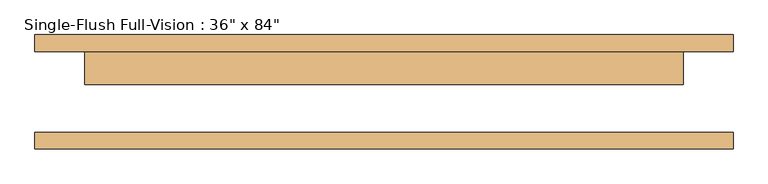
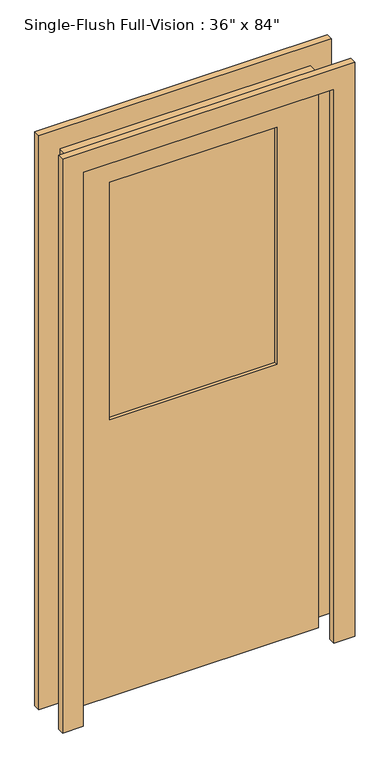
"""IFC4 building model written with IfcOpenShell, lengths in millimetres: door geometry."""

from ifc_helpers import new_model, si_unit, frame, origin, place, context, project, spatial, polyline, outline, extrude, source, transform, mapped, element, save


def door_bc1dde68(model_context):
    return source(origin(), model_context, "Body", "SweptSolid", [
        extrude(outline(polyline([(2209.8, -533.4), (0.0, -533.4), (0.0, -457.2), (2133.6, -457.2), (2133.6, 457.2), (0.0, 457.2), (0.0, 533.4), (2209.8, 533.4), (2209.8, -533.4)])), frame((0.0, 61.9125, 0.0), z_axis=(0.0, 1.0, 0.0), x_axis=(0.0, 0.0, 1.0)), (0.0, 0.0, 1.0), 25.4),
        extrude(outline(polyline([(2133.6, 457.2), (0.0, 457.2), (0.0, 533.4), (2209.8, 533.4), (2209.8, -533.4), (0.0, -533.4), (0.0, -457.2), (2133.6, -457.2), (2133.6, 457.2)])), frame((0.0, -87.3125, 0.0), z_axis=(0.0, 1.0, 0.0), x_axis=(0.0, 0.0, 1.0)), (0.0, 0.0, 1.0), 25.4),
        extrude(outline(polyline([(304.8, 23.8125), (-304.8, 23.8125), (-304.8, 30.1625), (304.8, 30.1625), (304.8, 23.8125)])), frame((0.0, 0.0, 1066.8), z_axis=(0.0, 0.0, 1.0), x_axis=(1.0, 0.0, 0.0)), (0.0, 0.0, 1.0), 914.4),
        extrude(outline(polyline([(304.8, 42.8625), (-304.8, 42.8625), (-304.8, 49.2125), (304.8, 49.2125), (304.8, 42.8625)])), frame((0.0, 0.0, 1066.8), z_axis=(0.0, 0.0, 1.0), x_axis=(1.0, 0.0, 0.0)), (0.0, 0.0, 1.0), 914.4),
        extrude(outline(polyline([(2133.6, -457.2), (0.0, -457.2), (0.0, 457.2), (2133.6, 457.2), (2133.6, -457.2)]), holes=[polyline([(1981.2, -304.8), (1981.2, 304.8), (1066.8, 304.8), (1066.8, -304.8), (1981.2, -304.8)])]), frame((0.0, 11.1125, 0.0), z_axis=(0.0, 1.0, 0.0), x_axis=(0.0, 0.0, 1.0)), (0.0, 0.0, 1.0), 50.8),
    ])


if __name__ == "__main__":
    model = new_model("IFC4")
    model_context = context("Model", 3, world=origin())
    ifc_project = project(units=[si_unit("LENGTHUNIT", "METRE", prefix="MILLI")], contexts=[model_context])
    site = spatial("IfcSite", under=ifc_project)
    building = spatial("IfcBuilding", under=site)
    placement = place(None, origin())
    door_shape = door_bc1dde68(model_context)
    element("IfcDoor", 1, ObjectType="Single-Flush Full-Vision : 36\" x 84\"", at=placement, inside=building, context=model_context, shape_type="MappedRepresentation", body=[
        mapped(door_shape, transform((0.0, 0.0, 0.0), x_axis=(1.0, 0.0, 0.0), y_axis=(0.0, 1.0, 0.0), z_axis=(0.0, 0.0, 1.0))),
    ])
    save(model, "model.ifc")
